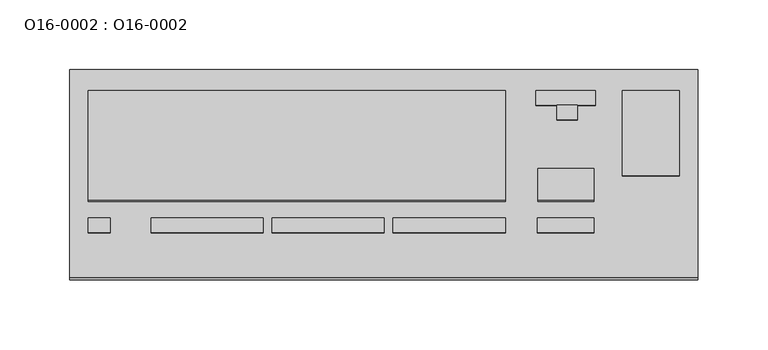
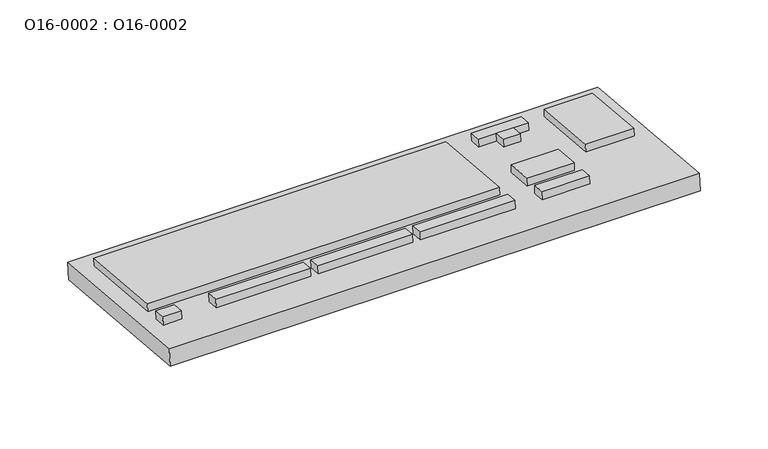
"""IFC4 building model written with IfcOpenShell, lengths in millimetres: furniture geometry, O16-0002 : O16-0002."""

import ifcopenshell
import ifcopenshell.guid

model = None  # the IFC model being written
_history = None  # IfcOwnerHistory: only IFC2X3 demands one
_inside = {}  # id of a spatial element -> (the spatial element, [elements in it])
_under = {}  # id of a project, library or spatial element -> (it, [spatial elements below it])
_declared = {}  # id of a project -> (the project, [libraries it declares])
_typed = {}  # id of a type object -> (the type object, [elements of that type])
_made_of = {}  # id of a material, layer set ... -> (it, [elements and type objects made of it])


def new_model(schema):
    """Start an empty IFC model of exactly this schema.

    Asked for "IFC4X3", IfcOpenShell would pick the latest addendum, in which some entities
    have other attributes; the version numbers below select the first issue.
    IFC2X3 requires an IfcOwnerHistory on every rooted entity: one is made here for all.
    """
    global model, _history
    if schema == "IFC4X3":
        model = ifcopenshell.file(schema_version=(4, 3, 0, 0))
    else:
        model = ifcopenshell.file(schema=schema)
    _inside.clear()
    _under.clear()
    _declared.clear()
    _typed.clear()
    _made_of.clear()
    _history = None
    if model.schema == "IFC2X3":
        org = make("IfcOrganization", Name="unknown")
        user = make(
            "IfcPersonAndOrganization",
            ThePerson=make("IfcPerson", FamilyName="unknown"),
            TheOrganization=org,
        )
        app = make(
            "IfcApplication",
            ApplicationDeveloper=org,
            Version="unknown",
            ApplicationFullName="unknown",
            ApplicationIdentifier="unknown",
        )
        _history = make(
            "IfcOwnerHistory",
            OwningUser=user,
            OwningApplication=app,
            ChangeAction="ADDED",
            CreationDate=0,
        )
    return model


def make(cls, **values):
    """One entity of the class cls with the attributes given. An attribute that is None is left unset."""
    return model.create_entity(
        cls, **{name: value for name, value in values.items() if value is not None}
    )


def rooted(cls, **values):
    """An entity with a GlobalId (a new one), such as an element, a storey or a relation."""
    return make(cls, GlobalId=ifcopenshell.guid.new(), OwnerHistory=_history, **values)


def si_unit(unit_type, name, prefix=None):
    """IfcSIUnit, for example si_unit("LENGTHUNIT", "METRE", prefix="MILLI")."""
    return make("IfcSIUnit", UnitType=unit_type, Prefix=prefix, Name=name)


def assignment(units):
    """IfcUnitAssignment: the units of a project."""
    return None if units is None else make("IfcUnitAssignment", Units=units)


def point(xyz):
    """IfcCartesianPoint."""
    return None if xyz is None else make("IfcCartesianPoint", Coordinates=xyz)


def direction(xyz):
    """IfcDirection."""
    return None if xyz is None else make("IfcDirection", DirectionRatios=xyz)


def frame(location, z_axis=None, x_axis=None):
    """IfcAxis2Placement3D, a coordinate frame: its origin and axes. An axis left out is left unset."""
    return make(
        "IfcAxis2Placement3D",
        Location=point(location),
        Axis=direction(z_axis),
        RefDirection=direction(x_axis),
    )


def origin():
    """The frame at (0, 0, 0) with its axes left unset."""
    return frame((0.0, 0.0, 0.0))


def place(relative_to, where):
    """IfcLocalPlacement: puts the frame where relative to a parent placement (None: the world)."""
    return make(
        "IfcLocalPlacement", PlacementRelTo=relative_to, RelativePlacement=where
    )


def context(
    kind, dimensions, precision=None, world=None, true_north=None, identifier=None
):
    """IfcGeometricRepresentationContext, for example the 3D "Model" context."""
    return make(
        "IfcGeometricRepresentationContext",
        ContextIdentifier=identifier,
        ContextType=kind,
        CoordinateSpaceDimension=dimensions,
        Precision=precision,
        WorldCoordinateSystem=world,
        TrueNorth=true_north,
    )


def project(units=None, contexts=None):
    """IfcProject with its units and contexts."""
    return rooted(
        "IfcProject",
        Name="project",
        RepresentationContexts=contexts,
        UnitsInContext=assignment(units),
    )


def spatial(cls, under=None, at=None, **own):
    """A site, building, storey or space (cls), placed at a placement, below another one or the project."""
    s = rooted(cls, ObjectPlacement=at, **own)
    if under is not None:
        _under.setdefault(under.id(), (under, []))[1].append(s)
    return s


def polyline(points):
    """IfcPolyline through the points."""
    return make("IfcPolyline", Points=[point(p) for p in points])


def outline(outer, holes=None, kind="AREA"):
    """IfcArbitraryClosedProfileDef: a profile drawn as a closed curve; with holes, ...WithVoids."""
    if holes is None:
        return make("IfcArbitraryClosedProfileDef", ProfileType=kind, OuterCurve=outer)
    return make(
        "IfcArbitraryProfileDefWithVoids",
        ProfileType=kind,
        OuterCurve=outer,
        InnerCurves=holes,
    )


def extrude(swept, where, along, depth):
    """IfcExtrudedAreaSolid: the profile swept, set in the frame where, extruded along a direction by depth."""
    return make(
        "IfcExtrudedAreaSolid",
        SweptArea=swept,
        Position=where,
        ExtrudedDirection=direction(along),
        Depth=depth,
    )


def shape(context_of_items, identifier, shape_type, items):
    """IfcShapeRepresentation: the items that make up one representation, for example the "Body"."""
    return make(
        "IfcShapeRepresentation",
        ContextOfItems=context_of_items,
        RepresentationIdentifier=identifier,
        RepresentationType=shape_type,
        Items=items,
    )


def source(mapping_origin, context_of_items, identifier, shape_type, items):
    """IfcRepresentationMap: a shape defined once, which mapped items show again and again."""
    return make(
        "IfcRepresentationMap",
        MappingOrigin=mapping_origin,
        MappedRepresentation=shape(context_of_items, identifier, shape_type, items),
    )


def transform(
    local_origin,
    x_axis=None,
    y_axis=None,
    z_axis=None,
    scale=None,
    scale2=None,
    scale3=None,
    uniform=True,
):
    """IfcCartesianTransformationOperator3D, or its non-uniform kind. x_axis, y_axis, z_axis: its Axis1, 2, 3."""
    if uniform:
        return make(
            "IfcCartesianTransformationOperator3D",
            Axis1=direction(x_axis),
            Axis2=direction(y_axis),
            LocalOrigin=point(local_origin),
            Scale=scale,
            Axis3=direction(z_axis),
        )
    return make(
        "IfcCartesianTransformationOperator3DnonUniform",
        Axis1=direction(x_axis),
        Axis2=direction(y_axis),
        LocalOrigin=point(local_origin),
        Scale=scale,
        Axis3=direction(z_axis),
        Scale2=scale2,
        Scale3=scale3,
    )


def mapped(mapping_source, mapping_target):
    """IfcMappedItem: shows the shape of a source again, moved by a transform."""
    return make(
        "IfcMappedItem", MappingSource=mapping_source, MappingTarget=mapping_target
    )


def made_of(thing, what):
    """Note that an element or type object is made of a material, layer set ...; save() writes the relation."""
    if what is not None:
        _made_of.setdefault(what.id(), (what, []))[1].append(thing)
    return thing


def element(
    cls,
    number,
    at=None,
    inside=None,
    cuts=None,
    type_object=None,
    material=None,
    context=None,
    identifier="Body",
    shape_type=None,
    held_by="IfcProductDefinitionShape",
    body=None,
    shapes=None,
    **own,
):
    """One element of the class cls, such as IfcWall. Its Tag is "e" and its number.

    at: its placement. inside: the storey or other place that contains it. cuts: it is an
    opening in that element (IfcRelVoidsElement). A single representation is given by context,
    identifier, shape_type and body (its items); several are given by shapes. held_by: the class
    of the entity that holds the representations. save() writes the other relations.
    """
    e = rooted(cls, Tag="e%d" % number, ObjectPlacement=at, **own)
    if body is not None:
        shapes = [shape(context, identifier, shape_type, body)]
    if shapes is not None:
        e.Representation = make(held_by, Representations=shapes)
    if inside is not None:
        _inside.setdefault(inside.id(), (inside, []))[1].append(e)
    if cuts is not None:
        rooted(
            "IfcRelVoidsElement", RelatingBuildingElement=cuts, RelatedOpeningElement=e
        )
    if type_object is not None:
        _typed.setdefault(type_object.id(), (type_object, []))[1].append(e)
    return made_of(e, material)


def aggregate(whole, parts):
    """IfcRelAggregates: a whole, such as a stair, and the parts it consists of."""
    return rooted("IfcRelAggregates", RelatingObject=whole, RelatedObjects=parts)


def save(model, path):
    """Write the relations noted so far, then the file.

    IfcRelAggregates (storeys below a building ...), IfcRelContainedInSpatialStructure (elements
    in a storey), IfcRelDefinesByType, IfcRelAssociatesMaterial and IfcRelDeclares: one each for
    every whole, place, type object, material and project.
    """
    for whole, parts in _under.values():
        aggregate(whole, parts)
    for where, things in _inside.values():
        rooted(
            "IfcRelContainedInSpatialStructure",
            RelatedElements=things,
            RelatingStructure=where,
        )
    for kind, things in _typed.values():
        rooted("IfcRelDefinesByType", RelatedObjects=things, RelatingType=kind)
    for what, things in _made_of.values():
        rooted("IfcRelAssociatesMaterial", RelatedObjects=things, RelatingMaterial=what)
    for by, libraries in _declared.values():
        rooted("IfcRelDeclares", RelatingContext=by, RelatedDefinitions=libraries)
    model.write(path)


def o16_0002_o16_0002_8f733b8f(model_context):
    return source(origin(), model_context, "Body", "SweptSolid", [
        extrude(outline(polyline([(20.3153078, -5.2256934), (-20.3153078, -5.2256934), (-20.3153078, 5.2256934), (20.3153078, 5.2256934), (20.3153078, -5.2256934)])), frame((130.4014222, -36.6915833, 744.6895897), z_axis=(0.0, 0.08715574274765832, 0.9961946980917455), x_axis=(1.0, 0.0, 0.0)), (0.0, 0.0, 1.0), 7.0),
        extrude(outline(polyline([(50.1790075, 5.2256934), (50.1790075, -5.2256934), (-30.1790076, -5.2256934), (-30.1790076, 5.2256934), (50.1790075, 5.2256934)])), frame((-136.6461222, -36.6915833, 744.6895897), z_axis=(0.0, 0.08715574274765832, 0.9961946980917455), x_axis=(1.0, 0.0, 0.0)), (0.0, 0.0, 1.0), 7.0),
        extrude(outline(polyline([(50.1790076, 5.2256934), (50.1790076, -5.2256934), (-30.1790075, -5.2256934), (-30.1790075, 5.2256934), (50.1790076, 5.2256934)])), frame((-49.8339049, -36.6915833, 744.6895897), z_axis=(0.0, 0.08715574274765832, 0.9961946980917455), x_axis=(1.0, 0.0, 0.0)), (0.0, 0.0, 1.0), 7.0),
        extrude(outline(polyline([(50.1790075, 5.2256934), (50.1790075, -5.2256934), (-30.1790076, -5.2256934), (-30.1790076, 5.2256934), (50.1790075, 5.2256934)])), frame((36.9783125, -36.6915833, 744.6895897), z_axis=(0.0, 0.08715574274765832, 0.9961946980917455), x_axis=(1.0, 0.0, 0.0)), (0.0, 0.0, 1.0), 7.0),
        extrude(outline(polyline([(7.8342955, -5.2256934), (-7.8342954, -5.2256934), (-7.8342954, 5.2256934), (7.8342955, 5.2256934), (7.8342955, -5.2256934)])), frame((-203.8783988, -36.6915833, 744.6895897), z_axis=(0.0, 0.08715574274765832, 0.9961946980917455), x_axis=(1.0, 0.0, 0.0)), (0.0, 0.0, 1.0), 7.0),
        extrude(outline(polyline([(225.0, -74.9999999), (-225.0, -74.9999999), (-225.0, 75.0), (225.0, 75.0), (225.0, -74.9999999)])), frame((0.0, -0.6536681, 726.5366807), z_axis=(0.0, 0.08715574274765832, 0.9961946980917455), x_axis=(1.0, 0.0, 0.0)), (0.0, 0.0, 1.0), 15.0),
        extrude(outline(polyline([(20.1137371, -11.5098469), (-20.113737, -11.5098469), (-20.113737, 11.5098468), (20.1137371, 11.5098468), (20.1137371, -11.5098469)])), frame((130.6029929, -7.7125056, 742.154249), z_axis=(0.0, 0.08715574274765832, 0.9961946980917455), x_axis=(1.0, 0.0, 0.0)), (0.0, 0.0, 1.0), 7.0),
        extrude(outline(polyline([(7.2409458, -5.2256937), (-7.2409459, -5.2256937), (-7.2409459, 5.2256937), (7.2409458, 5.2256937), (7.2409458, -5.2256937)])), frame((131.4075424, 44.1986693, 737.6126097), z_axis=(0.0, 0.08715574274765832, 0.9961946980917455), x_axis=(1.0, 0.0, 0.0)), (0.0, 0.0, 1.0), 7.0),
        extrude(outline(polyline([(21.320562, -5.2256937), (-21.320562, -5.2256937), (-21.320562, 5.2256937), (21.320562, 5.2256937), (21.320562, -5.2256937)])), frame((130.200718, 54.6102861, 736.7017112), z_axis=(0.0, 0.08715574274765832, 0.9961946980917455), x_axis=(1.0, 0.0, 0.0)), (0.0, 0.0, 1.0), 7.0),
        extrude(outline(polyline([(149.4350071, -39.6481977), (-149.4350071, -39.6481977), (-149.4350071, 39.6481977), (149.4350071, 39.6481977), (149.4350071, -39.6481977)])), frame((-62.2776871, 20.3187702, 739.7018301), z_axis=(0.0, 0.08715574274765832, 0.9961946980917455), x_axis=(1.0, 0.0, 0.0)), (0.0, 0.0, 1.0), 7.0),
        extrude(outline(polyline([(20.5160121, -30.5502092), (-20.516012, -30.5502092), (-20.516012, 30.5502091), (20.5160121, 30.5502091), (20.5160121, -30.5502092)])), frame((191.3464802, 29.3821382, 738.9088882), z_axis=(0.0, 0.08715574274765832, 0.9961946980917455), x_axis=(1.0, 0.0, 0.0)), (0.0, 0.0, 1.0), 7.0),
        extrude(outline(polyline([(189.6324444, -50.8333863), (189.6324444, -44.5951265), (204.6324444, -44.5951265), (204.6324444, -50.8333863), (189.6324444, -50.8333863)])), frame((0.0, 0.0, 720.0), z_axis=(0.0, 0.0, 1.0), x_axis=(1.0, 0.0, 0.0)), (0.0, 0.0, 1.0), 13.4184729),
        extrude(outline(polyline([(-204.6324444, -50.8333863), (-204.6324444, -44.5951265), (-189.6324444, -44.5951265), (-189.6324444, -50.8333863), (-204.6324444, -50.8333863)])), frame((0.0, 0.0, 720.0), z_axis=(0.0, 0.0, 1.0), x_axis=(1.0, 0.0, 0.0)), (0.0, 0.0, 1.0), 13.4184729),
    ])


if __name__ == "__main__":
    model = new_model("IFC4")
    model_context = context("Model", 3, world=origin())
    ifc_project = project(units=[si_unit("LENGTHUNIT", "METRE", prefix="MILLI")], contexts=[model_context])
    site = spatial("IfcSite", under=ifc_project)
    building = spatial("IfcBuilding", under=site)
    placement = place(None, origin())
    o16_0002_o16_0002_shape = o16_0002_o16_0002_8f733b8f(model_context)
    element("IfcFurniture", 1, ObjectType="O16-0002 : O16-0002", at=placement, inside=building, context=model_context, shape_type="MappedRepresentation", body=[
        mapped(o16_0002_o16_0002_shape, transform((0.0, 0.0, 0.0), x_axis=(1.0, 0.0, 0.0), y_axis=(0.0, 1.0, 0.0), z_axis=(0.0, 0.0, 1.0))),
    ])
    save(model, "model.ifc")
